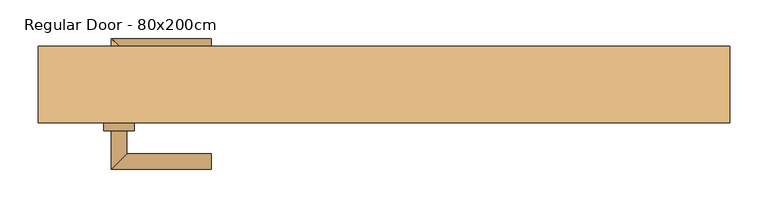
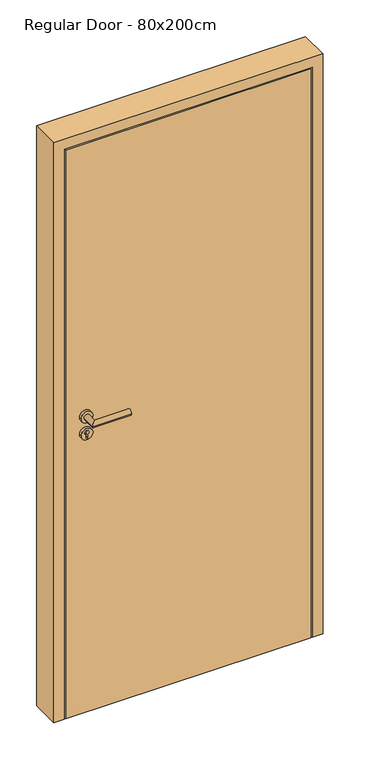
"""IFC4 building model written with IfcOpenShell, lengths in millimetres: door geometry, Regular Door - 80x200cm."""

from ifc_helpers import new_model, si_unit, point, frame, frame_2d, origin, origin_with_axes, place, context, project, spatial, polyline, circle_curve, ellipse_curve, trimmed, segment, composite_curve, outline, extrude, faceted_brep, source, transform, mapped, element, save
from ifc_brep_helpers import plane_surface, cylinder_surface, advanced_brep


def regular_door_80x200cm_bff2f7b7(model_context):
    return source(origin(), model_context, "Body", "SolidModel", [
        extrude(outline(polyline([(411.0, -50.0), (-411.0, -50.0), (-411.0, 0.0), (411.0, 0.0), (411.0, -50.0)])), origin_with_axes(), (0.0, 0.0, 1.0), 2011.0),
        advanced_brep(
        [(-335.0, -60.0, 1050.0), (-355.0, -60.0, 1050.0), (-355.0, -110.0, 1050.0), (-335.0, -90.0, 1050.0), (-225.0, -90.0, 1050.0), (-225.0, -110.0, 1050.0)],
        [
            (0, 1, circle_curve(frame((-345.0, -60.0, 1050.0), z_axis=(0.0, 1.0, 0.0), x_axis=(-1.0, 0.0, 0.0)), 10.0)),
            (1, 0, circle_curve(frame((-345.0, -60.0, 1050.0), z_axis=(0.0, 1.0, 0.0), x_axis=(-1.0, 0.0, 0.0)), 10.0)),
            (1, 2),
            (2, 3, ellipse_curve(frame((-345.0, -100.0, 1050.0), z_axis=(-0.7071067811865531, 0.7071067811865419, 0.0), x_axis=(0.707106781186542, 0.707106781186553, 0.0)), 14.1421356, 10.0)),
            (3, 0),
            (3, 2, ellipse_curve(frame((-345.0, -100.0, 1050.0), z_axis=(-0.7071067811865531, 0.7071067811865419, 0.0), x_axis=(0.707106781186542, 0.707106781186553, 0.0)), 14.1421356, 10.0)),
            (4, 5, circle_curve(frame((-225.0, -100.0, 1050.0), z_axis=(1.0, 0.0, 0.0), x_axis=(0.0, -1.0, 0.0)), 10.0)),
            (5, 4, circle_curve(frame((-225.0, -100.0, 1050.0), z_axis=(1.0, 0.0, 0.0), x_axis=(0.0, -1.0, 0.0)), 10.0)),
            (2, 5),
            (4, 3),
        ],
        [
            plane_surface(frame((-345.0, -60.0, 1050.0), z_axis=(0.0, 1.0, 0.0), x_axis=(0.0, 0.0, 1.0))),
            cylinder_surface(frame((-345.0, -60.0, 1050.0), z_axis=(0.0, 1.0, 0.0), x_axis=(-1.0, 0.0, 0.0)), 10.0),
            plane_surface(frame((-225.0, -100.0, 1050.0), z_axis=(1.0, 0.0, 0.0), x_axis=(0.0, 0.0, 1.0))),
            cylinder_surface(frame((-345.0, -100.0, 1050.0), z_axis=(-1.0, 0.0, 0.0), x_axis=(0.0, -1.0, 0.0)), 10.0),
        ],
        [
            (0, [[1, 2]]),
            (1, [[3, 4, 5, -2]]),
            (1, [[-5, 6, -3, -1]]),
            (2, [[7, 8]]),
            (3, [[9, -7, 10, -4]]),
            (3, [[-10, -8, -9, -6]]),
        ],
    ),
        extrude(outline(composite_curve([segment(trimmed(circle_curve(frame_2d((990.0, -345.0)), 20.0), [point((990.0, -365.0))], [point((990.0, -325.0))], False, "CARTESIAN"), True, "CONTINUOUS"), segment(trimmed(circle_curve(frame_2d((990.0, -345.0)), 20.0), [point((990.0, -325.0))], [point((990.0, -365.0))], False, "CARTESIAN"), True, "CONTINUOUS")], self_intersect=False), holes=[composite_curve([segment(polyline([(976.4601385, -347.397268), (988.4749012, -347.397268)]), True, "CONTINUOUS"), segment(trimmed(circle_curve(frame_2d((995.0361633, -345.0)), 6.9854888), [point((988.4749012, -347.397268))], [point((988.4749012, -342.602732))], True, "CARTESIAN"), True, "CONTINUOUS"), segment(polyline([(988.4749012, -342.602732), (976.4601385, -342.602732)]), True, "CONTINUOUS"), segment(trimmed(circle_curve(frame_2d((976.4601385, -345.0)), 2.397268), [point((976.4601385, -342.602732))], [point((976.4601385, -347.397268))], True, "CARTESIAN"), True, "CONTINUOUS")], self_intersect=False)]), frame((0.0, -60.0, 0.0), z_axis=(0.0, 1.0, 0.0), x_axis=(0.0, 0.0, 1.0)), (0.0, 0.0, 1.0), 10.0),
        advanced_brep(
        [(-335.0, -60.0, 1050.0), (-355.0, -60.0, 1050.0), (-355.0, -110.0, 1050.0), (-335.0, -90.0, 1050.0), (-225.0, -90.0, 1050.0), (-225.0, -110.0, 1050.0)],
        [
            (0, 1, circle_curve(frame((-345.0, -60.0, 1050.0), z_axis=(0.0, 1.0, 0.0), x_axis=(-1.0, 0.0, 0.0)), 10.0)),
            (1, 0, circle_curve(frame((-345.0, -60.0, 1050.0), z_axis=(0.0, 1.0, 0.0), x_axis=(-1.0, 0.0, 0.0)), 10.0)),
            (1, 2),
            (2, 3, ellipse_curve(frame((-345.0, -100.0, 1050.0), z_axis=(-0.7071067811865537, 0.7071067811865414, 0.0), x_axis=(0.7071067811865414, 0.7071067811865536, 0.0)), 14.1421356, 10.0)),
            (3, 0),
            (3, 2, ellipse_curve(frame((-345.0, -100.0, 1050.0), z_axis=(-0.7071067811865537, 0.7071067811865414, 0.0), x_axis=(0.7071067811865414, 0.7071067811865536, 0.0)), 14.1421356, 10.0)),
            (4, 5, circle_curve(frame((-225.0, -100.0, 1050.0), z_axis=(1.0, 0.0, 0.0), x_axis=(0.0, -1.0, 0.0)), 10.0)),
            (5, 4, circle_curve(frame((-225.0, -100.0, 1050.0), z_axis=(1.0, 0.0, 0.0), x_axis=(0.0, -1.0, 0.0)), 10.0)),
            (2, 5),
            (4, 3),
        ],
        [
            plane_surface(frame((-345.0, -60.0, 1050.0), z_axis=(0.0, 1.0, 0.0), x_axis=(0.0, 0.0, 1.0))),
            cylinder_surface(frame((-345.0, -60.0, 1050.0), z_axis=(0.0, 1.0, 0.0), x_axis=(-1.0, 0.0, 0.0)), 10.0),
            plane_surface(frame((-225.0, -100.0, 1050.0), z_axis=(1.0, 0.0, 0.0), x_axis=(0.0, 0.0, 1.0))),
            cylinder_surface(frame((-345.0, -100.0, 1050.0), z_axis=(-1.0, 0.0, 0.0), x_axis=(0.0, -1.0, 0.0)), 10.0),
        ],
        [
            (0, [[1, 2]]),
            (1, [[3, 4, 5, -2]]),
            (1, [[-5, 6, -3, -1]]),
            (2, [[7, 8]]),
            (3, [[9, -7, 10, -4]]),
            (3, [[-10, -8, -9, -6]]),
        ],
    ),
        extrude(outline(composite_curve([segment(trimmed(circle_curve(frame_2d((1050.0, -345.0)), 20.0), [point((1050.0, -365.0))], [point((1050.0, -325.0))], False, "CARTESIAN"), True, "CONTINUOUS"), segment(trimmed(circle_curve(frame_2d((1050.0, -345.0)), 20.0), [point((1050.0, -325.0))], [point((1050.0, -365.0))], False, "CARTESIAN"), True, "CONTINUOUS")], self_intersect=False)), frame((0.0, -60.0, 0.0), z_axis=(0.0, 1.0, 0.0), x_axis=(0.0, 0.0, 1.0)), (0.0, 0.0, 1.0), 10.0),
        advanced_brep(
        [(-335.0, 10.0, 1050.0), (-355.0, 10.0, 1050.0), (-335.0, 40.0, 1050.0), (-355.0, 60.0, 1050.0), (-225.0, 40.0, 1050.0), (-225.0, 60.0, 1050.0)],
        [
            (0, 1, circle_curve(frame((-345.0, 10.0, 1050.0), z_axis=(0.0, -1.0, 0.0), x_axis=(-1.0, 0.0, 0.0)), 10.0)),
            (1, 0, circle_curve(frame((-345.0, 10.0, 1050.0), z_axis=(0.0, -1.0, 0.0), x_axis=(-1.0, 0.0, 0.0)), 10.0)),
            (0, 2),
            (2, 3, ellipse_curve(frame((-345.0, 50.0, 1050.0), z_axis=(-0.7071067811865486, -0.7071067811865464, 0.0), x_axis=(0.7071067811865464, -0.7071067811865488, 0.0)), 14.1421356, 10.0)),
            (3, 1),
            (3, 2, ellipse_curve(frame((-345.0, 50.0, 1050.0), z_axis=(-0.7071067811865486, -0.7071067811865464, 0.0), x_axis=(0.7071067811865464, -0.7071067811865488, 0.0)), 14.1421356, 10.0)),
            (4, 5, circle_curve(frame((-225.0, 50.0, 1050.0), z_axis=(1.0, 0.0, 0.0), x_axis=(0.0, 1.0, 0.0)), 10.0)),
            (5, 4, circle_curve(frame((-225.0, 50.0, 1050.0), z_axis=(1.0, 0.0, 0.0), x_axis=(0.0, 1.0, 0.0)), 10.0)),
            (2, 4),
            (5, 3),
        ],
        [
            plane_surface(frame((-345.0, 10.0, 1050.0), z_axis=(0.0, -1.0, 0.0), x_axis=(0.0, 0.0, 1.0))),
            cylinder_surface(frame((-345.0, 10.0, 1050.0), z_axis=(0.0, -1.0, 0.0), x_axis=(-1.0, 0.0, 0.0)), 10.0),
            plane_surface(frame((-225.0, 50.0, 1050.0), z_axis=(1.0, 0.0, 0.0), x_axis=(0.0, 0.0, 1.0))),
            cylinder_surface(frame((-345.0, 50.0, 1050.0), z_axis=(-1.0, 0.0, 0.0), x_axis=(0.0, 1.0, 0.0)), 10.0),
        ],
        [
            (0, [[1, 2]]),
            (1, [[-1, 3, 4, 5]]),
            (1, [[-2, -5, 6, -3]]),
            (2, [[7, 8]]),
            (3, [[-4, 9, -8, 10]]),
            (3, [[-6, -10, -7, -9]]),
        ],
    ),
        extrude(outline(composite_curve([segment(trimmed(circle_curve(frame_2d((990.0, -345.0)), 20.0), [point((990.0, -365.0))], [point((990.0, -325.0))], False, "CARTESIAN"), True, "CONTINUOUS"), segment(trimmed(circle_curve(frame_2d((990.0, -345.0)), 20.0), [point((990.0, -325.0))], [point((990.0, -365.0))], False, "CARTESIAN"), True, "CONTINUOUS")], self_intersect=False), holes=[composite_curve([segment(polyline([(976.4601385, -347.397268), (988.4749012, -347.397268)]), True, "CONTINUOUS"), segment(trimmed(circle_curve(frame_2d((995.0361633, -345.0)), 6.9854888), [point((988.4749012, -347.397268))], [point((988.4749012, -342.602732))], True, "CARTESIAN"), True, "CONTINUOUS"), segment(polyline([(988.4749012, -342.602732), (976.4601385, -342.602732)]), True, "CONTINUOUS"), segment(trimmed(circle_curve(frame_2d((976.4601385, -345.0)), 2.397268), [point((976.4601385, -342.602732))], [point((976.4601385, -347.397268))], True, "CARTESIAN"), True, "CONTINUOUS")], self_intersect=False)]), frame((0.0, 0.0, 0.0), z_axis=(0.0, 1.0, 0.0), x_axis=(0.0, 0.0, 1.0)), (0.0, 0.0, 1.0), 10.0),
        advanced_brep(
        [(-335.0, 10.0, 1050.0), (-355.0, 10.0, 1050.0), (-335.0, 40.0, 1050.0), (-355.0, 60.0, 1050.0), (-225.0, 40.0, 1050.0), (-225.0, 60.0, 1050.0)],
        [
            (0, 1, circle_curve(frame((-345.0, 10.0, 1050.0), z_axis=(0.0, -1.0, 0.0), x_axis=(-1.0, 0.0, 0.0)), 10.0)),
            (1, 0, circle_curve(frame((-345.0, 10.0, 1050.0), z_axis=(0.0, -1.0, 0.0), x_axis=(-1.0, 0.0, 0.0)), 10.0)),
            (0, 2),
            (2, 3, ellipse_curve(frame((-345.0, 50.0, 1050.0), z_axis=(-0.7071067811865491, -0.7071067811865459, 0.0), x_axis=(0.7071067811865458, -0.7071067811865492, 0.0)), 14.1421356, 10.0)),
            (3, 1),
            (3, 2, ellipse_curve(frame((-345.0, 50.0, 1050.0), z_axis=(-0.7071067811865491, -0.7071067811865459, 0.0), x_axis=(0.7071067811865458, -0.7071067811865492, 0.0)), 14.1421356, 10.0)),
            (4, 5, circle_curve(frame((-225.0, 50.0, 1050.0), z_axis=(1.0, 0.0, 0.0), x_axis=(0.0, 1.0, 0.0)), 10.0)),
            (5, 4, circle_curve(frame((-225.0, 50.0, 1050.0), z_axis=(1.0, 0.0, 0.0), x_axis=(0.0, 1.0, 0.0)), 10.0)),
            (2, 4),
            (5, 3),
        ],
        [
            plane_surface(frame((-345.0, 10.0, 1050.0), z_axis=(0.0, -1.0, 0.0), x_axis=(0.0, 0.0, 1.0))),
            cylinder_surface(frame((-345.0, 10.0, 1050.0), z_axis=(0.0, -1.0, 0.0), x_axis=(-1.0, 0.0, 0.0)), 10.0),
            plane_surface(frame((-225.0, 50.0, 1050.0), z_axis=(1.0, 0.0, 0.0), x_axis=(0.0, 0.0, 1.0))),
            cylinder_surface(frame((-345.0, 50.0, 1050.0), z_axis=(-1.0, 0.0, 0.0), x_axis=(0.0, 1.0, 0.0)), 10.0),
        ],
        [
            (0, [[1, 2]]),
            (1, [[-1, 3, 4, 5]]),
            (1, [[-2, -5, 6, -3]]),
            (2, [[7, 8]]),
            (3, [[-4, 9, -8, 10]]),
            (3, [[-6, -10, -7, -9]]),
        ],
    ),
        extrude(outline(composite_curve([segment(trimmed(circle_curve(frame_2d((1050.0, -345.0)), 20.0), [point((1050.0, -365.0))], [point((1050.0, -325.0))], False, "CARTESIAN"), True, "CONTINUOUS"), segment(trimmed(circle_curve(frame_2d((1050.0, -345.0)), 20.0), [point((1050.0, -325.0))], [point((1050.0, -365.0))], False, "CARTESIAN"), True, "CONTINUOUS")], self_intersect=False)), frame((0.0, 0.0, 0.0), z_axis=(0.0, 1.0, 0.0), x_axis=(0.0, 0.0, 1.0)), (0.0, 0.0, 1.0), 10.0),
        faceted_brep([(-415.0, -50.0, 0.0), (-450.0, -50.0, 0.0), (-450.0, 50.0, 0.0), (-400.0, 50.0, 0.0), (-400.0, 0.0, 0.0), (-415.0, 0.0, 0.0), (-415.0, -50.0, 2015.0), (415.0, -50.0, 2015.0), (415.0, -50.0, 0.0), (450.0, -50.0, 0.0), (450.0, -50.0, 2050.0), (-450.0, -50.0, 2050.0), (-450.0, 50.0, 2050.0), (450.0, 50.0, 2050.0), (450.0, 50.0, 0.0), (400.0, 50.0, 0.0), (400.0, 50.0, 2000.0), (-400.0, 50.0, 2000.0), (-400.0, 0.0, 2000.0), (400.0, 0.0, 2000.0), (400.0, 0.0, 0.0), (415.0, 0.0, 0.0), (415.0, 0.0, 2015.0), (-415.0, 0.0, 2015.0)], [[[0, 1, 2, 3, 4, 5]], [[0, 6, 7, 8, 9, 10, 11, 1]], [[1, 11, 12, 2]], [[2, 12, 13, 14, 15, 16, 17, 3]], [[3, 17, 18, 4]], [[4, 18, 19, 20, 21, 22, 23, 5]], [[5, 23, 6, 0]], [[22, 21, 8, 7]], [[8, 21, 20, 15, 14, 9]], [[10, 9, 14, 13]], [[16, 15, 20, 19]], [[11, 10, 13, 12]], [[17, 16, 19, 18]], [[23, 22, 7, 6]]]),
    ])


if __name__ == "__main__":
    model = new_model("IFC4")
    model_context = context("Model", 3, world=origin())
    ifc_project = project(units=[si_unit("LENGTHUNIT", "METRE", prefix="MILLI")], contexts=[model_context])
    site = spatial("IfcSite", under=ifc_project)
    building = spatial("IfcBuilding", under=site)
    placement = place(None, origin())
    regular_door_80x200cm_shape = regular_door_80x200cm_bff2f7b7(model_context)
    element("IfcDoor", 1, ObjectType="Regular Door - 80x200cm", at=placement, inside=building, context=model_context, shape_type="MappedRepresentation", body=[
        mapped(regular_door_80x200cm_shape, transform((0.0, 0.0, 0.0), x_axis=(1.0, 0.0, 0.0), y_axis=(0.0, 1.0, 0.0), z_axis=(0.0, 0.0, 1.0))),
    ])
    save(model, "model.ifc")
